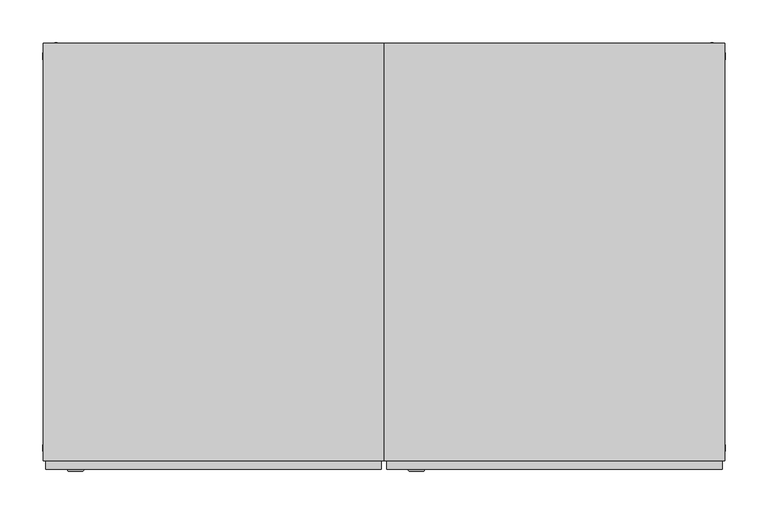
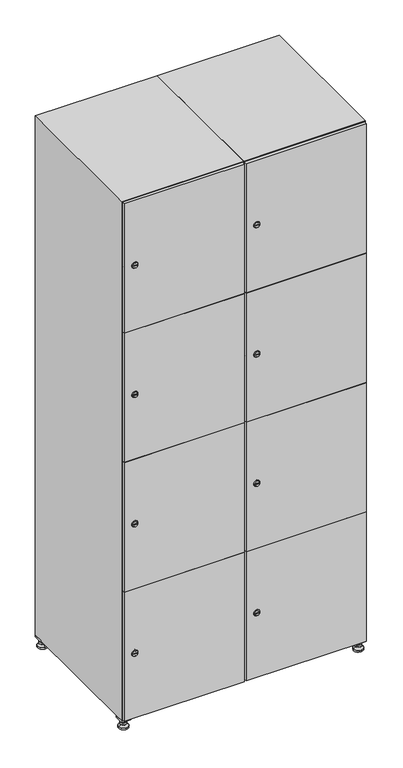
"""IFC4 building model written with IfcOpenShell, lengths in millimetres: furniture geometry."""

from ifc_helpers import new_model, si_unit, point, frame, frame_2d, origin, origin_with_axes, place, context, project, spatial, polyline, circle_curve, trimmed, segment, composite_curve, outline, extrude, faceted_brep, source, transform, mapped, element, save
from ifc_brep_helpers import plane_surface, revolved_surface, advanced_brep


def furniture_47012301(model_context):
    return source(origin(), model_context, "Body", "SolidModel", [
        extrude(outline(polyline([(600.0, 245.0), (600.0, 215.0), (570.0, 215.0), (570.0, 245.0), (600.0, 245.0)]), holes=[polyline([(598.0, 243.0), (572.0, 243.0), (572.0, 217.0), (598.0, 217.0), (598.0, 243.0)])]), frame((0.0, 0.0, 28.5), z_axis=(0.0, 0.0, 1.0), x_axis=(1.0, 0.0, 0.0)), (0.0, 0.0, 1.0), 6.5),
        extrude(outline(polyline([(570.0, -245.0), (570.0, -215.0), (600.0, -215.0), (600.0, -245.0), (570.0, -245.0)]), holes=[polyline([(572.0, -243.0), (598.0, -243.0), (598.0, -217.0), (572.0, -217.0), (572.0, -243.0)])]), frame((0.0, 0.0, 28.5), z_axis=(0.0, 0.0, 1.0), x_axis=(1.0, 0.0, 0.0)), (0.0, 0.0, 1.0), 6.5),
        extrude(outline(polyline([(-170.0, 245.0), (-170.0, 215.0), (-200.0, 215.0), (-200.0, 245.0), (-170.0, 245.0)]), holes=[polyline([(-172.0, 243.0), (-198.0, 243.0), (-198.0, 217.0), (-172.0, 217.0), (-172.0, 243.0)])]), frame((0.0, 0.0, 28.5), z_axis=(0.0, 0.0, 1.0), x_axis=(1.0, 0.0, 0.0)), (0.0, 0.0, 1.0), 6.5),
        extrude(outline(polyline([(-170.0, -215.0), (-170.0, -245.0), (-200.0, -245.0), (-200.0, -215.0), (-170.0, -215.0)]), holes=[polyline([(-198.0, -243.0), (-172.0, -243.0), (-172.0, -217.0), (-198.0, -217.0), (-198.0, -243.0)])]), frame((0.0, 0.0, 28.5), z_axis=(0.0, 0.0, 1.0), x_axis=(1.0, 0.0, 0.0)), (0.0, 0.0, 1.0), 6.5),
        extrude(outline(composite_curve([segment(trimmed(circle_curve(frame_2d((-185.0, 230.0)), 5.0), [point((-180.0, 230.0))], [point((-190.0, 230.0))], False, "CARTESIAN"), True, "CONTINUOUS"), segment(trimmed(circle_curve(frame_2d((-185.0, 230.0)), 5.0), [point((-190.0, 230.0))], [point((-180.0, 230.0))], False, "CARTESIAN"), True, "CONTINUOUS")], self_intersect=False)), frame((0.0, 0.0, 19.6), z_axis=(0.0, 0.0, 1.0), x_axis=(1.0, 0.0, 0.0)), (0.0, 0.0, 1.0), 15.4),
        extrude(outline(composite_curve([segment(trimmed(circle_curve(frame_2d((-185.0, -230.0)), 5.0), [point((-180.0, -230.0))], [point((-190.0, -230.0))], False, "CARTESIAN"), True, "CONTINUOUS"), segment(trimmed(circle_curve(frame_2d((-185.0, -230.0)), 5.0), [point((-190.0, -230.0))], [point((-180.0, -230.0))], False, "CARTESIAN"), True, "CONTINUOUS")], self_intersect=False)), frame((0.0, 0.0, 19.6), z_axis=(0.0, 0.0, 1.0), x_axis=(1.0, 0.0, 0.0)), (0.0, 0.0, 1.0), 15.4),
        extrude(outline(composite_curve([segment(trimmed(circle_curve(frame_2d((585.0, 230.0)), 5.0), [point((590.0, 230.0))], [point((580.0, 230.0))], False, "CARTESIAN"), True, "CONTINUOUS"), segment(trimmed(circle_curve(frame_2d((585.0, 230.0)), 5.0), [point((580.0, 230.0))], [point((590.0, 230.0))], False, "CARTESIAN"), True, "CONTINUOUS")], self_intersect=False)), frame((0.0, 0.0, 19.6), z_axis=(0.0, 0.0, 1.0), x_axis=(1.0, 0.0, 0.0)), (0.0, 0.0, 1.0), 15.4),
        extrude(outline(polyline([(573.4529946, 230.0), (579.2264973, 240.0), (590.7735027, 240.0), (596.5470054, 230.0), (590.7735027, 220.0), (579.2264973, 220.0), (573.4529946, 230.0)])), frame((0.0, 0.0, 13.6), z_axis=(0.0, 0.0, 1.0), x_axis=(1.0, 0.0, 0.0)), (0.0, 0.0, 1.0), 6.0),
        extrude(outline(composite_curve([segment(trimmed(circle_curve(frame_2d((585.0, -230.0)), 5.0), [point((590.0, -230.0))], [point((580.0, -230.0))], False, "CARTESIAN"), True, "CONTINUOUS"), segment(trimmed(circle_curve(frame_2d((585.0, -230.0)), 5.0), [point((580.0, -230.0))], [point((590.0, -230.0))], False, "CARTESIAN"), True, "CONTINUOUS")], self_intersect=False)), frame((0.0, 0.0, 19.6), z_axis=(0.0, 0.0, 1.0), x_axis=(1.0, 0.0, 0.0)), (0.0, 0.0, 1.0), 15.4),
        extrude(outline(polyline([(573.4529946, -230.0), (579.2264973, -220.0), (590.7735027, -220.0), (596.5470054, -230.0), (590.7735027, -240.0), (579.2264973, -240.0), (573.4529946, -230.0)])), frame((0.0, 0.0, 13.6), z_axis=(0.0, 0.0, 1.0), x_axis=(1.0, 0.0, 0.0)), (0.0, 0.0, 1.0), 6.0),
        extrude(outline(composite_curve([segment(trimmed(circle_curve(frame_2d((585.0, 230.0)), 5.0), [point((590.0, 230.0))], [point((580.0, 230.0))], False, "CARTESIAN"), True, "CONTINUOUS"), segment(trimmed(circle_curve(frame_2d((585.0, 230.0)), 5.0), [point((580.0, 230.0))], [point((590.0, 230.0))], False, "CARTESIAN"), True, "CONTINUOUS")], self_intersect=False)), frame((0.0, 0.0, 12.1), z_axis=(0.0, 0.0, 1.0), x_axis=(1.0, 0.0, 0.0)), (0.0, 0.0, 1.0), 1.5),
        extrude(outline(composite_curve([segment(trimmed(circle_curve(frame_2d((585.0, -230.0)), 5.0), [point((590.0, -230.0))], [point((580.0, -230.0))], False, "CARTESIAN"), True, "CONTINUOUS"), segment(trimmed(circle_curve(frame_2d((585.0, -230.0)), 5.0), [point((580.0, -230.0))], [point((590.0, -230.0))], False, "CARTESIAN"), True, "CONTINUOUS")], self_intersect=False)), frame((0.0, 0.0, 12.1), z_axis=(0.0, 0.0, 1.0), x_axis=(1.0, 0.0, 0.0)), (0.0, 0.0, 1.0), 1.5),
        extrude(outline(polyline([(-196.5470054, 230.0), (-190.7735027, 240.0), (-179.2264973, 240.0), (-173.4529946, 230.0), (-179.2264973, 220.0), (-190.7735027, 220.0), (-196.5470054, 230.0)])), frame((0.0, 0.0, 13.6), z_axis=(0.0, 0.0, 1.0), x_axis=(1.0, 0.0, 0.0)), (0.0, 0.0, 1.0), 6.0),
        extrude(outline(polyline([(-196.5470054, -230.0), (-190.7735027, -220.0), (-179.2264973, -220.0), (-173.4529946, -230.0), (-179.2264973, -240.0), (-190.7735027, -240.0), (-196.5470054, -230.0)])), frame((0.0, 0.0, 13.6), z_axis=(0.0, 0.0, 1.0), x_axis=(1.0, 0.0, 0.0)), (0.0, 0.0, 1.0), 6.0),
        extrude(outline(composite_curve([segment(trimmed(circle_curve(frame_2d((-185.0, 230.0)), 5.0), [point((-185.0, 235.0))], [point((-185.0, 225.0))], False, "CARTESIAN"), True, "CONTINUOUS"), segment(trimmed(circle_curve(frame_2d((-185.0, 230.0)), 5.0), [point((-185.0, 225.0))], [point((-185.0, 235.0))], False, "CARTESIAN"), True, "CONTINUOUS")], self_intersect=False)), frame((0.0, 0.0, 12.1), z_axis=(0.0, 0.0, 1.0), x_axis=(1.0, 0.0, 0.0)), (0.0, 0.0, 1.0), 1.5),
        extrude(outline(composite_curve([segment(trimmed(circle_curve(frame_2d((-185.0, -230.0)), 5.0), [point((-180.0, -230.0))], [point((-190.0, -230.0))], False, "CARTESIAN"), True, "CONTINUOUS"), segment(trimmed(circle_curve(frame_2d((-185.0, -230.0)), 5.0), [point((-190.0, -230.0))], [point((-180.0, -230.0))], False, "CARTESIAN"), True, "CONTINUOUS")], self_intersect=False)), frame((0.0, 0.0, 12.1), z_axis=(0.0, 0.0, 1.0), x_axis=(1.0, 0.0, 0.0)), (0.0, 0.0, 1.0), 1.5),
        extrude(outline(composite_curve([segment(trimmed(circle_curve(frame_2d((585.0, 230.0)), 15.75), [point((600.75, 230.0))], [point((569.25, 230.0))], False, "CARTESIAN"), True, "CONTINUOUS"), segment(trimmed(circle_curve(frame_2d((585.0, 230.0)), 15.75), [point((569.25, 230.0))], [point((600.75, 230.0))], False, "CARTESIAN"), True, "CONTINUOUS")], self_intersect=False)), origin_with_axes(), (0.0, 0.0, 1.0), 5.1),
        extrude(outline(composite_curve([segment(trimmed(circle_curve(frame_2d((585.0, -230.0)), 15.75), [point((585.0, -214.25))], [point((585.0, -245.75))], False, "CARTESIAN"), True, "CONTINUOUS"), segment(trimmed(circle_curve(frame_2d((585.0, -230.0)), 15.75), [point((585.0, -245.75))], [point((585.0, -214.25))], False, "CARTESIAN"), True, "CONTINUOUS")], self_intersect=False)), origin_with_axes(), (0.0, 0.0, 1.0), 5.1),
        extrude(outline(composite_curve([segment(trimmed(circle_curve(frame_2d((-185.0, -230.0)), 15.75), [point((-169.25, -230.0))], [point((-200.75, -230.0))], False, "CARTESIAN"), True, "CONTINUOUS"), segment(trimmed(circle_curve(frame_2d((-185.0, -230.0)), 15.75), [point((-200.75, -230.0))], [point((-169.25, -230.0))], False, "CARTESIAN"), True, "CONTINUOUS")], self_intersect=False)), origin_with_axes(), (0.0, 0.0, 1.0), 5.1),
        extrude(outline(composite_curve([segment(trimmed(circle_curve(frame_2d((-185.0, 230.0)), 15.75), [point((-169.25, 230.0))], [point((-200.75, 230.0))], False, "CARTESIAN"), True, "CONTINUOUS"), segment(trimmed(circle_curve(frame_2d((-185.0, 230.0)), 15.75), [point((-200.75, 230.0))], [point((-169.25, 230.0))], False, "CARTESIAN"), True, "CONTINUOUS")], self_intersect=False)), origin_with_axes(), (0.0, 0.0, 1.0), 5.1),
        advanced_brep(
        [(-185.0, 239.5, 12.1), (-185.0, 220.5, 12.1), (-185.0, 214.25, 5.1), (-185.0, 245.75, 5.1)],
        [
            (0, 1, circle_curve(frame((-185.0, 230.0, 12.1), z_axis=(0.0, 0.0, -1.0), x_axis=(0.0, 1.0, 0.0)), 9.5)),
            (1, 2),
            (2, 3, circle_curve(frame((-185.0, 230.0, 5.1), z_axis=(0.0, 0.0, 1.0), x_axis=(0.0, 1.0, 0.0)), 15.75)),
            (3, 0),
            (1, 0, circle_curve(frame((-185.0, 230.0, 12.1), z_axis=(0.0, 0.0, -1.0), x_axis=(0.0, -1.0, 0.0)), 9.5)),
            (3, 2, circle_curve(frame((-185.0, 230.0, 5.1), z_axis=(0.0, 0.0, 1.0), x_axis=(0.0, -1.0, 0.0)), 15.75)),
        ],
        [
            revolved_surface(polyline([(-185.0, 220.5, 12.099999999999998), (-185.0, 214.25, 5.099999999999998)]), (-185.0, 230.0, 22.74), (0.0, 0.0, -1.0)),
            revolved_surface(polyline([(-185.0, 239.5, 12.099999999999998), (-185.0, 245.75, 5.099999999999998)]), (-185.0, 230.0, 22.74), (0.0, 0.0, -1.0)),
            plane_surface(frame((-185.0, 230.0, 5.1), z_axis=(0.0, 0.0, -1.0), x_axis=(1.0, 0.0, 0.0))),
            plane_surface(frame((-185.0, 230.0, 12.1), z_axis=(0.0, 0.0, 1.0), x_axis=(1.0, 0.0, 0.0))),
        ],
        [
            (0, [[1, 2, 3, 4]]),
            (1, [[5, -4, 6, -2]]),
            (2, [[-3, -6]]),
            (3, [[-5, -1]]),
        ],
    ),
        advanced_brep(
        [(585.0, 239.5, 12.1), (585.0, 220.5, 12.1), (585.0, 214.25, 5.1), (585.0, 245.75, 5.1)],
        [
            (0, 1, circle_curve(frame((585.0, 230.0, 12.1), z_axis=(0.0, 0.0, -1.0), x_axis=(0.0, 1.0, 0.0)), 9.5)),
            (1, 2),
            (2, 3, circle_curve(frame((585.0, 230.0, 5.1), z_axis=(0.0, 0.0, 1.0), x_axis=(0.0, 1.0, 0.0)), 15.75)),
            (3, 0),
            (1, 0, circle_curve(frame((585.0, 230.0, 12.1), z_axis=(0.0, 0.0, -1.0), x_axis=(0.0, -1.0, 0.0)), 9.5)),
            (3, 2, circle_curve(frame((585.0, 230.0, 5.1), z_axis=(0.0, 0.0, 1.0), x_axis=(0.0, -1.0, 0.0)), 15.75)),
        ],
        [
            revolved_surface(polyline([(585.0, 220.5, 12.099999999999998), (585.0, 214.25, 5.099999999999998)]), (585.0, 230.0, 22.74), (0.0, 0.0, -1.0)),
            revolved_surface(polyline([(585.0, 239.5, 12.099999999999998), (585.0, 245.75, 5.099999999999998)]), (585.0, 230.0, 22.74), (0.0, 0.0, -1.0)),
            plane_surface(frame((585.0, 230.0, 5.1), z_axis=(0.0, 0.0, -1.0), x_axis=(1.0, 0.0, 0.0))),
            plane_surface(frame((585.0, 230.0, 12.1), z_axis=(0.0, 0.0, 1.0), x_axis=(1.0, 0.0, 0.0))),
        ],
        [
            (0, [[1, 2, 3, 4]]),
            (1, [[5, -4, 6, -2]]),
            (2, [[-3, -6]]),
            (3, [[-5, -1]]),
        ],
    ),
        advanced_brep(
        [(600.75, -230.0, 5.1), (569.25, -230.0, 5.1), (575.5, -230.0, 12.1), (594.5, -230.0, 12.1)],
        [
            (0, 1, circle_curve(frame((585.0, -230.0, 5.1), z_axis=(0.0, 0.0, 1.0), x_axis=(1.0, 0.0, 0.0)), 15.75)),
            (1, 2),
            (2, 3, circle_curve(frame((585.0, -230.0, 12.1), z_axis=(0.0, 0.0, -1.0), x_axis=(1.0, 0.0, 0.0)), 9.5)),
            (3, 0),
            (1, 0, circle_curve(frame((585.0, -230.0, 5.1), z_axis=(0.0, 0.0, 1.0), x_axis=(-1.0, 0.0, 0.0)), 15.75)),
            (3, 2, circle_curve(frame((585.0, -230.0, 12.1), z_axis=(0.0, 0.0, -1.0), x_axis=(-1.0, 0.0, 0.0)), 9.5)),
        ],
        [
            revolved_surface(polyline([(594.5, -230.0, 12.099999999999998), (600.75, -230.0, 5.099999999999998)]), (585.0, -230.0, 22.74), (0.0, 0.0, -1.0)),
            revolved_surface(polyline([(575.5, -230.0, 12.099999999999998), (569.25, -230.0, 5.099999999999998)]), (585.0, -230.0, 22.74), (0.0, 0.0, -1.0)),
            plane_surface(frame((585.0, -230.0, 12.1), z_axis=(0.0, 0.0, 1.0), x_axis=(0.0, 1.0, 0.0))),
            plane_surface(frame((585.0, -230.0, 5.1), z_axis=(0.0, 0.0, -1.0), x_axis=(0.0, 1.0, 0.0))),
        ],
        [
            (0, [[1, 2, 3, 4]]),
            (1, [[5, -4, 6, -2]]),
            (2, [[-3, -6]]),
            (3, [[-5, -1]]),
        ],
    ),
        advanced_brep(
        [(-169.25, -230.0, 5.1), (-200.75, -230.0, 5.1), (-194.5, -230.0, 12.1), (-175.5, -230.0, 12.1)],
        [
            (0, 1, circle_curve(frame((-185.0, -230.0, 5.1), z_axis=(0.0, 0.0, 1.0), x_axis=(1.0, 0.0, 0.0)), 15.75)),
            (1, 2),
            (2, 3, circle_curve(frame((-185.0, -230.0, 12.1), z_axis=(0.0, 0.0, -1.0), x_axis=(1.0, 0.0, 0.0)), 9.5)),
            (3, 0),
            (1, 0, circle_curve(frame((-185.0, -230.0, 5.1), z_axis=(0.0, 0.0, 1.0), x_axis=(-1.0, 0.0, 0.0)), 15.75)),
            (3, 2, circle_curve(frame((-185.0, -230.0, 12.1), z_axis=(0.0, 0.0, -1.0), x_axis=(-1.0, 0.0, 0.0)), 9.5)),
        ],
        [
            revolved_surface(polyline([(-175.5, -230.0, 12.099999999999998), (-169.25, -230.0, 5.099999999999998)]), (-185.0, -230.0, 22.74), (0.0, 0.0, -1.0)),
            revolved_surface(polyline([(-194.5, -230.0, 12.099999999999998), (-200.75, -230.0, 5.099999999999998)]), (-185.0, -230.0, 22.74), (0.0, 0.0, -1.0)),
            plane_surface(frame((-185.0, -230.0, 12.1), z_axis=(0.0, 0.0, 1.0), x_axis=(0.0, 1.0, 0.0))),
            plane_surface(frame((-185.0, -230.0, 5.1), z_axis=(0.0, 0.0, -1.0), x_axis=(0.0, 1.0, 0.0))),
        ],
        [
            (0, [[1, 2, 3, 4]]),
            (1, [[5, -4, 6, -2]]),
            (2, [[-3, -6]]),
            (3, [[-5, -1]]),
        ],
    ),
        extrude(outline(composite_curve([segment(trimmed(circle_curve(frame_2d((262.25, 211.2010534)), 7.0), [point((269.25, 211.2010534))], [point((255.25, 211.2010534))], False, "CARTESIAN"), True, "CONTINUOUS"), segment(polyline([(255.25, 211.2010534), (255.25, 239.2010534)]), True, "CONTINUOUS"), segment(trimmed(circle_curve(frame_2d((262.25, 239.2010534)), 7.0), [point((255.25, 239.2010534))], [point((269.25, 239.2010534))], False, "CARTESIAN"), True, "CONTINUOUS"), segment(polyline([(269.25, 239.2010534), (269.25, 211.2010534)]), True, "CONTINUOUS")], self_intersect=False)), frame((0.0, -245.0, 0.0), z_axis=(0.0, 1.0, 0.0), x_axis=(0.0, 0.0, 1.0)), (0.0, 0.0, 1.0), 2.0),
        advanced_brep(
        [(246.5, -257.2, 262.25), (229.5, -257.2, 262.25), (233.0, -257.2, 261.0), (233.0, -257.2, 263.5), (243.0, -257.2, 263.5), (243.0, -257.2, 261.0), (248.5, -255.0, 262.25), (227.5, -255.0, 262.25), (233.0, -255.0, 263.5), (233.0, -255.0, 261.0), (243.0, -255.0, 261.0), (243.0, -255.0, 263.5)],
        [
            (0, 1, circle_curve(frame((238.0, -257.2, 262.25), z_axis=(0.0, -1.0, 0.0), x_axis=(1.0, 0.0, 0.0)), 8.5)),
            (1, 0, circle_curve(frame((238.0, -257.2, 262.25), z_axis=(0.0, -1.0, 0.0), x_axis=(-1.0, 0.0, 0.0)), 8.5)),
            (2, 3),
            (3, 4),
            (4, 5),
            (5, 2),
            (6, 7, circle_curve(frame((238.0, -255.0, 262.25), z_axis=(0.0, 1.0, 0.0), x_axis=(-1.0, 0.0, 0.0)), 10.5)),
            (7, 6, circle_curve(frame((238.0, -255.0, 262.25), z_axis=(0.0, 1.0, 0.0), x_axis=(1.0, 0.0, 0.0)), 10.5)),
            (8, 9),
            (9, 10),
            (10, 11),
            (11, 8),
            (0, 6),
            (7, 1),
            (8, 3),
            (2, 9),
            (11, 4),
            (10, 5),
        ],
        [
            plane_surface(frame((238.0, -257.2, 262.25), z_axis=(0.0, -1.0, 0.0), x_axis=(0.0, 0.0, 1.0))),
            plane_surface(frame((238.0, -255.0, 262.25), z_axis=(0.0, 1.0, 0.0), x_axis=(0.0, 0.0, 1.0))),
            revolved_surface(polyline([(246.5, -257.2, 262.25), (248.5, -255.0, 262.25)]), (238.0, -266.55, 262.25), (0.0, 1.0, 0.0)),
            revolved_surface(polyline([(229.5, -257.2, 262.25), (227.5, -255.0, 262.25)]), (238.0, -266.55, 262.25), (0.0, 1.0, 0.0)),
            plane_surface(frame((233.0, -255.0, 261.0), z_axis=(1.0, 0.0, 0.0), x_axis=(0.0, -1.0, 0.0))),
            plane_surface(frame((233.0, -255.0, 263.5), z_axis=(0.0, 0.0, -1.0), x_axis=(0.0, -1.0, 0.0))),
            plane_surface(frame((243.0, -255.0, 263.5), z_axis=(-1.0, 0.0, 0.0), x_axis=(0.0, -1.0, 0.0))),
            plane_surface(frame((243.0, -255.0, 261.0), z_axis=(0.0, 0.0, 1.0), x_axis=(0.0, -1.0, 0.0))),
        ],
        [
            (0, [[1, 2], [3, 4, 5, 6]]),
            (1, [[7, 8], [9, 10, 11, 12]]),
            (2, [[-1, 13, -8, 14]]),
            (3, [[-2, -14, -7, -13]]),
            (4, [[15, -3, 16, -9]]),
            (5, [[-15, -12, 17, -4]]),
            (6, [[-17, -11, 18, -5]]),
            (7, [[-16, -6, -18, -10]]),
        ],
    ),
        extrude(outline(composite_curve([segment(trimmed(circle_curve(frame_2d((710.75, 211.2010534)), 7.0), [point((717.75, 211.2010534))], [point((703.75, 211.2010534))], False, "CARTESIAN"), True, "CONTINUOUS"), segment(polyline([(703.75, 211.2010534), (703.75, 239.2010534)]), True, "CONTINUOUS"), segment(trimmed(circle_curve(frame_2d((710.75, 239.2010534)), 7.0), [point((703.75, 239.2010534))], [point((717.75, 239.2010534))], False, "CARTESIAN"), True, "CONTINUOUS"), segment(polyline([(717.75, 239.2010534), (717.75, 211.2010534)]), True, "CONTINUOUS")], self_intersect=False)), frame((0.0, -245.0, 0.0), z_axis=(0.0, 1.0, 0.0), x_axis=(0.0, 0.0, 1.0)), (0.0, 0.0, 1.0), 2.0),
        advanced_brep(
        [(246.5, -257.2, 710.75), (229.5, -257.2, 710.75), (233.0, -257.2, 709.5), (233.0, -257.2, 712.0), (243.0, -257.2, 712.0), (243.0, -257.2, 709.5), (248.5, -255.0, 710.75), (227.5, -255.0, 710.75), (233.0, -255.0, 712.0), (233.0, -255.0, 709.5), (243.0, -255.0, 709.5), (243.0, -255.0, 712.0)],
        [
            (0, 1, circle_curve(frame((238.0, -257.2, 710.75), z_axis=(0.0, -1.0, 0.0), x_axis=(1.0, 0.0, 0.0)), 8.5)),
            (1, 0, circle_curve(frame((238.0, -257.2, 710.75), z_axis=(0.0, -1.0, 0.0), x_axis=(-1.0, 0.0, 0.0)), 8.5)),
            (2, 3),
            (3, 4),
            (4, 5),
            (5, 2),
            (6, 7, circle_curve(frame((238.0, -255.0, 710.75), z_axis=(0.0, 1.0, 0.0), x_axis=(-1.0, 0.0, 0.0)), 10.5)),
            (7, 6, circle_curve(frame((238.0, -255.0, 710.75), z_axis=(0.0, 1.0, 0.0), x_axis=(1.0, 0.0, 0.0)), 10.5)),
            (8, 9),
            (9, 10),
            (10, 11),
            (11, 8),
            (0, 6),
            (7, 1),
            (8, 3),
            (2, 9),
            (11, 4),
            (10, 5),
        ],
        [
            plane_surface(frame((238.0, -257.2, 710.75), z_axis=(0.0, -1.0, 0.0), x_axis=(0.0, 0.0, 1.0))),
            plane_surface(frame((238.0, -255.0, 710.75), z_axis=(0.0, 1.0, 0.0), x_axis=(0.0, 0.0, 1.0))),
            revolved_surface(polyline([(246.5, -257.2, 710.75), (248.5, -255.0, 710.75)]), (238.0, -266.55, 710.75), (0.0, 1.0, 0.0)),
            revolved_surface(polyline([(229.5, -257.2, 710.75), (227.5, -255.0, 710.75)]), (238.0, -266.55, 710.75), (0.0, 1.0, 0.0)),
            plane_surface(frame((233.0, -255.0, 709.5), z_axis=(1.0, 0.0, 0.0), x_axis=(0.0, -1.0, 0.0))),
            plane_surface(frame((233.0, -255.0, 712.0), z_axis=(0.0, 0.0, -1.0), x_axis=(0.0, -1.0, 0.0))),
            plane_surface(frame((243.0, -255.0, 712.0), z_axis=(-1.0, 0.0, 0.0), x_axis=(0.0, -1.0, 0.0))),
            plane_surface(frame((243.0, -255.0, 709.5), z_axis=(0.0, 0.0, 1.0), x_axis=(0.0, -1.0, 0.0))),
        ],
        [
            (0, [[1, 2], [3, 4, 5, 6]]),
            (1, [[7, 8], [9, 10, 11, 12]]),
            (2, [[-1, 13, -8, 14]]),
            (3, [[-2, -14, -7, -13]]),
            (4, [[15, -3, 16, -9]]),
            (5, [[-15, -12, 17, -4]]),
            (6, [[-17, -11, 18, -5]]),
            (7, [[-16, -6, -18, -10]]),
        ],
    ),
        extrude(outline(composite_curve([segment(trimmed(circle_curve(frame_2d((1159.25, 211.2010534)), 7.0), [point((1166.25, 211.2010534))], [point((1152.25, 211.2010534))], False, "CARTESIAN"), True, "CONTINUOUS"), segment(polyline([(1152.25, 211.2010534), (1152.25, 239.2010534)]), True, "CONTINUOUS"), segment(trimmed(circle_curve(frame_2d((1159.25, 239.2010534)), 7.0), [point((1152.25, 239.2010534))], [point((1166.25, 239.2010534))], False, "CARTESIAN"), True, "CONTINUOUS"), segment(polyline([(1166.25, 239.2010534), (1166.25, 211.2010534)]), True, "CONTINUOUS")], self_intersect=False)), frame((0.0, -245.0, 0.0), z_axis=(0.0, 1.0, 0.0), x_axis=(0.0, 0.0, 1.0)), (0.0, 0.0, 1.0), 2.0),
        advanced_brep(
        [(246.5, -257.2, 1159.25), (229.5, -257.2, 1159.25), (233.0, -257.2, 1158.0), (233.0, -257.2, 1160.5), (243.0, -257.2, 1160.5), (243.0, -257.2, 1158.0), (248.5, -255.0, 1159.25), (227.5, -255.0, 1159.25), (233.0, -255.0, 1160.5), (233.0, -255.0, 1158.0), (243.0, -255.0, 1158.0), (243.0, -255.0, 1160.5)],
        [
            (0, 1, circle_curve(frame((238.0, -257.2, 1159.25), z_axis=(0.0, -1.0, 0.0), x_axis=(1.0, 0.0, 0.0)), 8.5)),
            (1, 0, circle_curve(frame((238.0, -257.2, 1159.25), z_axis=(0.0, -1.0, 0.0), x_axis=(-1.0, 0.0, 0.0)), 8.5)),
            (2, 3),
            (3, 4),
            (4, 5),
            (5, 2),
            (6, 7, circle_curve(frame((238.0, -255.0, 1159.25), z_axis=(0.0, 1.0, 0.0), x_axis=(-1.0, 0.0, 0.0)), 10.5)),
            (7, 6, circle_curve(frame((238.0, -255.0, 1159.25), z_axis=(0.0, 1.0, 0.0), x_axis=(1.0, 0.0, 0.0)), 10.5)),
            (8, 9),
            (9, 10),
            (10, 11),
            (11, 8),
            (0, 6),
            (7, 1),
            (8, 3),
            (2, 9),
            (11, 4),
            (10, 5),
        ],
        [
            plane_surface(frame((238.0, -257.2, 1159.25), z_axis=(0.0, -1.0, 0.0), x_axis=(0.0, 0.0, 1.0))),
            plane_surface(frame((238.0, -255.0, 1159.25), z_axis=(0.0, 1.0, 0.0), x_axis=(0.0, 0.0, 1.0))),
            revolved_surface(polyline([(246.5, -257.2, 1159.25), (248.5, -255.0, 1159.25)]), (238.0, -266.55, 1159.25), (0.0, 1.0, 0.0)),
            revolved_surface(polyline([(229.5, -257.2, 1159.25), (227.5, -255.0, 1159.25)]), (238.0, -266.55, 1159.25), (0.0, 1.0, 0.0)),
            plane_surface(frame((233.0, -255.0, 1158.0), z_axis=(1.0, 0.0, 0.0), x_axis=(0.0, -1.0, 0.0))),
            plane_surface(frame((233.0, -255.0, 1160.5), z_axis=(0.0, 0.0, -1.0), x_axis=(0.0, -1.0, 0.0))),
            plane_surface(frame((243.0, -255.0, 1160.5), z_axis=(-1.0, 0.0, 0.0), x_axis=(0.0, -1.0, 0.0))),
            plane_surface(frame((243.0, -255.0, 1158.0), z_axis=(0.0, 0.0, 1.0), x_axis=(0.0, -1.0, 0.0))),
        ],
        [
            (0, [[1, 2], [3, 4, 5, 6]]),
            (1, [[7, 8], [9, 10, 11, 12]]),
            (2, [[-1, 13, -8, 14]]),
            (3, [[-2, -14, -7, -13]]),
            (4, [[15, -3, 16, -9]]),
            (5, [[-15, -12, 17, -4]]),
            (6, [[-17, -11, 18, -5]]),
            (7, [[-16, -6, -18, -10]]),
        ],
    ),
        extrude(outline(composite_curve([segment(trimmed(circle_curve(frame_2d((1607.75, 211.2010534)), 7.0), [point((1614.75, 211.2010534))], [point((1600.75, 211.2010534))], False, "CARTESIAN"), True, "CONTINUOUS"), segment(polyline([(1600.75, 211.2010534), (1600.75, 239.2010534)]), True, "CONTINUOUS"), segment(trimmed(circle_curve(frame_2d((1607.75, 239.2010534)), 7.0), [point((1600.75, 239.2010534))], [point((1614.75, 239.2010534))], False, "CARTESIAN"), True, "CONTINUOUS"), segment(polyline([(1614.75, 239.2010534), (1614.75, 211.2010534)]), True, "CONTINUOUS")], self_intersect=False)), frame((0.0, -245.0, 0.0), z_axis=(0.0, 1.0, 0.0), x_axis=(0.0, 0.0, 1.0)), (0.0, 0.0, 1.0), 2.0),
        advanced_brep(
        [(246.5, -257.2, 1607.75), (229.5, -257.2, 1607.75), (233.0, -257.2, 1606.5), (233.0, -257.2, 1609.0), (243.0, -257.2, 1609.0), (243.0, -257.2, 1606.5), (248.5, -255.0, 1607.75), (227.5, -255.0, 1607.75), (233.0, -255.0, 1609.0), (233.0, -255.0, 1606.5), (243.0, -255.0, 1606.5), (243.0, -255.0, 1609.0)],
        [
            (0, 1, circle_curve(frame((238.0, -257.2, 1607.75), z_axis=(0.0, -1.0, 0.0), x_axis=(1.0, 0.0, 0.0)), 8.5)),
            (1, 0, circle_curve(frame((238.0, -257.2, 1607.75), z_axis=(0.0, -1.0, 0.0), x_axis=(-1.0, 0.0, 0.0)), 8.5)),
            (2, 3),
            (3, 4),
            (4, 5),
            (5, 2),
            (6, 7, circle_curve(frame((238.0, -255.0, 1607.75), z_axis=(0.0, 1.0, 0.0), x_axis=(-1.0, 0.0, 0.0)), 10.5)),
            (7, 6, circle_curve(frame((238.0, -255.0, 1607.75), z_axis=(0.0, 1.0, 0.0), x_axis=(1.0, 0.0, 0.0)), 10.5)),
            (8, 9),
            (9, 10),
            (10, 11),
            (11, 8),
            (0, 6),
            (7, 1),
            (8, 3),
            (2, 9),
            (11, 4),
            (10, 5),
        ],
        [
            plane_surface(frame((238.0, -257.2, 1607.75), z_axis=(0.0, -1.0, 0.0), x_axis=(0.0, 0.0, 1.0))),
            plane_surface(frame((238.0, -255.0, 1607.75), z_axis=(0.0, 1.0, 0.0), x_axis=(0.0, 0.0, 1.0))),
            revolved_surface(polyline([(246.5, -257.2, 1607.75), (248.5, -255.0, 1607.75)]), (238.0, -266.55, 1607.75), (0.0, 1.0, 0.0)),
            revolved_surface(polyline([(229.5, -257.2, 1607.75), (227.5, -255.0, 1607.75)]), (238.0, -266.55, 1607.75), (0.0, 1.0, 0.0)),
            plane_surface(frame((233.0, -255.0, 1606.5), z_axis=(1.0, 0.0, 0.0), x_axis=(0.0, -1.0, 0.0))),
            plane_surface(frame((233.0, -255.0, 1609.0), z_axis=(0.0, 0.0, -1.0), x_axis=(0.0, -1.0, 0.0))),
            plane_surface(frame((243.0, -255.0, 1609.0), z_axis=(-1.0, 0.0, 0.0), x_axis=(0.0, -1.0, 0.0))),
            plane_surface(frame((243.0, -255.0, 1606.5), z_axis=(0.0, 0.0, 1.0), x_axis=(0.0, -1.0, 0.0))),
        ],
        [
            (0, [[1, 2], [3, 4, 5, 6]]),
            (1, [[7, 8], [9, 10, 11, 12]]),
            (2, [[-1, 13, -8, 14]]),
            (3, [[-2, -14, -7, -13]]),
            (4, [[15, -3, 16, -9]]),
            (5, [[-15, -12, 17, -4]]),
            (6, [[-17, -11, 18, -5]]),
            (7, [[-16, -6, -18, -10]]),
        ],
    ),
        extrude(outline(polyline([(597.0, -245.0), (597.0, -255.0), (203.0, -255.0), (203.0, -245.0), (597.0, -245.0)])), frame((0.0, 0.0, 486.0), z_axis=(0.0, 0.0, 1.0), x_axis=(1.0, 0.0, 0.0)), (0.0, 0.0, 1.0), 448.5),
        extrude(outline(polyline([(597.0, -245.0), (597.0, -255.0), (203.0, -255.0), (203.0, -245.0), (597.0, -245.0)])), frame((0.0, 0.0, 935.5), z_axis=(0.0, 0.0, 1.0), x_axis=(1.0, 0.0, 0.0)), (0.0, 0.0, 1.0), 447.5),
        extrude(outline(polyline([(203.0, -255.0), (203.0, -245.0), (597.0, -245.0), (597.0, -255.0), (203.0, -255.0)])), frame((0.0, 0.0, 1384.0), z_axis=(0.0, 0.0, 1.0), x_axis=(1.0, 0.0, 0.0)), (0.0, 0.0, 1.0), 448.0),
        extrude(outline(polyline([(597.0, -245.0), (597.0, -255.0), (203.0, -255.0), (203.0, -245.0), (597.0, -245.0)])), frame((0.0, 0.0, 38.0), z_axis=(0.0, 0.0, 1.0), x_axis=(1.0, 0.0, 0.0)), (0.0, 0.0, 1.0), 449.0),
        extrude(outline(polyline([(579.6, 242.0), (579.6, -235.0), (220.4, -235.0), (220.4, 242.0), (579.6, 242.0)])), frame((0.0, 0.0, 1359.7), z_axis=(0.0, 0.0, 1.0), x_axis=(1.0, 0.0, 0.0)), (0.0, 0.0, 1.0), 20.4),
        extrude(outline(polyline([(579.6, 242.0), (579.6, -235.0), (220.4, -235.0), (220.4, 242.0), (579.6, 242.0)])), frame((0.0, 0.0, 924.8), z_axis=(0.0, 0.0, 1.0), x_axis=(1.0, 0.0, 0.0)), (0.0, 0.0, 1.0), 20.4),
        extrude(outline(polyline([(579.6, 242.0), (579.6, -235.0), (220.4, -235.0), (220.4, 242.0), (579.6, 242.0)])), frame((0.0, 0.0, 489.9), z_axis=(0.0, 0.0, 1.0), x_axis=(1.0, 0.0, 0.0)), (0.0, 0.0, 1.0), 20.4),
        faceted_brep([(600.0, -245.0, 35.0), (600.0, -245.0, 1835.0), (200.0, -245.0, 1835.0), (200.0, -245.0, 35.0), (579.6, -245.0, 1804.8), (579.6, -245.0, 65.2), (220.4, -245.0, 65.2), (220.4, -245.0, 1804.8), (600.0, 245.0, 35.0), (200.0, 245.0, 35.0), (600.0, 245.0, 1835.0), (200.0, 245.0, 1835.0), (579.6, 242.0, 1804.8), (579.6, 242.0, 65.2), (200.0, 245.0, 1804.8), (220.4, 242.0, 1804.8), (220.4, 242.0, 65.2)], [[[0, 1, 2, 3], [4, 5, 6, 7]], [[8, 0, 3, 9]], [[1, 0, 8, 10]], [[1, 10, 11, 2]], [[4, 12, 13, 5]], [[9, 3, 2, 11, 14]], [[10, 8, 9, 14, 11]], [[12, 15, 16, 13]], [[15, 7, 6, 16]], [[4, 7, 15, 12]], [[6, 5, 13, 16]]]),
        extrude(outline(composite_curve([segment(trimmed(circle_curve(frame_2d((262.25, -188.7989466)), 7.0), [point((269.25, -188.7989466))], [point((255.25, -188.7989466))], False, "CARTESIAN"), True, "CONTINUOUS"), segment(polyline([(255.25, -188.7989466), (255.25, -160.7989466)]), True, "CONTINUOUS"), segment(trimmed(circle_curve(frame_2d((262.25, -160.7989466)), 7.0), [point((255.25, -160.7989466))], [point((269.25, -160.7989466))], False, "CARTESIAN"), True, "CONTINUOUS"), segment(polyline([(269.25, -160.7989466), (269.25, -188.7989466)]), True, "CONTINUOUS")], self_intersect=False)), frame((0.0, -245.0, 0.0), z_axis=(0.0, 1.0, 0.0), x_axis=(0.0, 0.0, 1.0)), (0.0, 0.0, 1.0), 2.0),
        advanced_brep(
        [(-153.5, -257.2, 262.25), (-170.5, -257.2, 262.25), (-167.0, -257.2, 261.0), (-167.0, -257.2, 263.5), (-157.0, -257.2, 263.5), (-157.0, -257.2, 261.0), (-151.5, -255.0, 262.25), (-172.5, -255.0, 262.25), (-167.0, -255.0, 263.5), (-167.0, -255.0, 261.0), (-157.0, -255.0, 261.0), (-157.0, -255.0, 263.5)],
        [
            (0, 1, circle_curve(frame((-162.0, -257.2, 262.25), z_axis=(0.0, -1.0, 0.0), x_axis=(1.0, 0.0, 0.0)), 8.5)),
            (1, 0, circle_curve(frame((-162.0, -257.2, 262.25), z_axis=(0.0, -1.0, 0.0), x_axis=(-1.0, 0.0, 0.0)), 8.5)),
            (2, 3),
            (3, 4),
            (4, 5),
            (5, 2),
            (6, 7, circle_curve(frame((-162.0, -255.0, 262.25), z_axis=(0.0, 1.0, 0.0), x_axis=(-1.0, 0.0, 0.0)), 10.5)),
            (7, 6, circle_curve(frame((-162.0, -255.0, 262.25), z_axis=(0.0, 1.0, 0.0), x_axis=(1.0, 0.0, 0.0)), 10.5)),
            (8, 9),
            (9, 10),
            (10, 11),
            (11, 8),
            (0, 6),
            (7, 1),
            (8, 3),
            (2, 9),
            (11, 4),
            (10, 5),
        ],
        [
            plane_surface(frame((-162.0, -257.2, 262.25), z_axis=(0.0, -1.0, 0.0), x_axis=(0.0, 0.0, 1.0))),
            plane_surface(frame((-162.0, -255.0, 262.25), z_axis=(0.0, 1.0, 0.0), x_axis=(0.0, 0.0, 1.0))),
            revolved_surface(polyline([(-153.5, -257.2, 262.25), (-151.5, -255.0, 262.25)]), (-162.0, -266.55, 262.25), (0.0, 1.0, 0.0)),
            revolved_surface(polyline([(-170.5, -257.2, 262.25), (-172.5, -255.0, 262.25)]), (-162.0, -266.55, 262.25), (0.0, 1.0, 0.0)),
            plane_surface(frame((-167.0, -255.0, 261.0), z_axis=(1.0, 0.0, 0.0), x_axis=(0.0, -1.0, 0.0))),
            plane_surface(frame((-167.0, -255.0, 263.5), z_axis=(0.0, 0.0, -1.0), x_axis=(0.0, -1.0, 0.0))),
            plane_surface(frame((-157.0, -255.0, 263.5), z_axis=(-1.0, 0.0, 0.0), x_axis=(0.0, -1.0, 0.0))),
            plane_surface(frame((-157.0, -255.0, 261.0), z_axis=(0.0, 0.0, 1.0), x_axis=(0.0, -1.0, 0.0))),
        ],
        [
            (0, [[1, 2], [3, 4, 5, 6]]),
            (1, [[7, 8], [9, 10, 11, 12]]),
            (2, [[-1, 13, -8, 14]]),
            (3, [[-2, -14, -7, -13]]),
            (4, [[15, -3, 16, -9]]),
            (5, [[-15, -12, 17, -4]]),
            (6, [[-17, -11, 18, -5]]),
            (7, [[-16, -6, -18, -10]]),
        ],
    ),
        extrude(outline(composite_curve([segment(trimmed(circle_curve(frame_2d((710.75, -188.7989466)), 7.0), [point((717.75, -188.7989466))], [point((703.75, -188.7989466))], False, "CARTESIAN"), True, "CONTINUOUS"), segment(polyline([(703.75, -188.7989466), (703.75, -160.7989466)]), True, "CONTINUOUS"), segment(trimmed(circle_curve(frame_2d((710.75, -160.7989466)), 7.0), [point((703.75, -160.7989466))], [point((717.75, -160.7989466))], False, "CARTESIAN"), True, "CONTINUOUS"), segment(polyline([(717.75, -160.7989466), (717.75, -188.7989466)]), True, "CONTINUOUS")], self_intersect=False)), frame((0.0, -245.0, 0.0), z_axis=(0.0, 1.0, 0.0), x_axis=(0.0, 0.0, 1.0)), (0.0, 0.0, 1.0), 2.0),
        advanced_brep(
        [(-153.5, -257.2, 710.75), (-170.5, -257.2, 710.75), (-167.0, -257.2, 709.5), (-167.0, -257.2, 712.0), (-157.0, -257.2, 712.0), (-157.0, -257.2, 709.5), (-151.5, -255.0, 710.75), (-172.5, -255.0, 710.75), (-167.0, -255.0, 712.0), (-167.0, -255.0, 709.5), (-157.0, -255.0, 709.5), (-157.0, -255.0, 712.0)],
        [
            (0, 1, circle_curve(frame((-162.0, -257.2, 710.75), z_axis=(0.0, -1.0, 0.0), x_axis=(1.0, 0.0, 0.0)), 8.5)),
            (1, 0, circle_curve(frame((-162.0, -257.2, 710.75), z_axis=(0.0, -1.0, 0.0), x_axis=(-1.0, 0.0, 0.0)), 8.5)),
            (2, 3),
            (3, 4),
            (4, 5),
            (5, 2),
            (6, 7, circle_curve(frame((-162.0, -255.0, 710.75), z_axis=(0.0, 1.0, 0.0), x_axis=(-1.0, 0.0, 0.0)), 10.5)),
            (7, 6, circle_curve(frame((-162.0, -255.0, 710.75), z_axis=(0.0, 1.0, 0.0), x_axis=(1.0, 0.0, 0.0)), 10.5)),
            (8, 9),
            (9, 10),
            (10, 11),
            (11, 8),
            (0, 6),
            (7, 1),
            (8, 3),
            (2, 9),
            (11, 4),
            (10, 5),
        ],
        [
            plane_surface(frame((-162.0, -257.2, 710.75), z_axis=(0.0, -1.0, 0.0), x_axis=(0.0, 0.0, 1.0))),
            plane_surface(frame((-162.0, -255.0, 710.75), z_axis=(0.0, 1.0, 0.0), x_axis=(0.0, 0.0, 1.0))),
            revolved_surface(polyline([(-153.5, -257.2, 710.75), (-151.5, -255.0, 710.75)]), (-162.0, -266.55, 710.75), (0.0, 1.0, 0.0)),
            revolved_surface(polyline([(-170.5, -257.2, 710.75), (-172.5, -255.0, 710.75)]), (-162.0, -266.55, 710.75), (0.0, 1.0, 0.0)),
            plane_surface(frame((-167.0, -255.0, 709.5), z_axis=(1.0, 0.0, 0.0), x_axis=(0.0, -1.0, 0.0))),
            plane_surface(frame((-167.0, -255.0, 712.0), z_axis=(0.0, 0.0, -1.0), x_axis=(0.0, -1.0, 0.0))),
            plane_surface(frame((-157.0, -255.0, 712.0), z_axis=(-1.0, 0.0, 0.0), x_axis=(0.0, -1.0, 0.0))),
            plane_surface(frame((-157.0, -255.0, 709.5), z_axis=(0.0, 0.0, 1.0), x_axis=(0.0, -1.0, 0.0))),
        ],
        [
            (0, [[1, 2], [3, 4, 5, 6]]),
            (1, [[7, 8], [9, 10, 11, 12]]),
            (2, [[-1, 13, -8, 14]]),
            (3, [[-2, -14, -7, -13]]),
            (4, [[15, -3, 16, -9]]),
            (5, [[-15, -12, 17, -4]]),
            (6, [[-17, -11, 18, -5]]),
            (7, [[-16, -6, -18, -10]]),
        ],
    ),
        extrude(outline(composite_curve([segment(trimmed(circle_curve(frame_2d((1159.25, -188.7989466)), 7.0), [point((1166.25, -188.7989466))], [point((1152.25, -188.7989466))], False, "CARTESIAN"), True, "CONTINUOUS"), segment(polyline([(1152.25, -188.7989466), (1152.25, -160.7989466)]), True, "CONTINUOUS"), segment(trimmed(circle_curve(frame_2d((1159.25, -160.7989466)), 7.0), [point((1152.25, -160.7989466))], [point((1166.25, -160.7989466))], False, "CARTESIAN"), True, "CONTINUOUS"), segment(polyline([(1166.25, -160.7989466), (1166.25, -188.7989466)]), True, "CONTINUOUS")], self_intersect=False)), frame((0.0, -245.0, 0.0), z_axis=(0.0, 1.0, 0.0), x_axis=(0.0, 0.0, 1.0)), (0.0, 0.0, 1.0), 2.0),
        advanced_brep(
        [(-153.5, -257.2, 1159.25), (-170.5, -257.2, 1159.25), (-167.0, -257.2, 1158.0), (-167.0, -257.2, 1160.5), (-157.0, -257.2, 1160.5), (-157.0, -257.2, 1158.0), (-151.5, -255.0, 1159.25), (-172.5, -255.0, 1159.25), (-167.0, -255.0, 1160.5), (-167.0, -255.0, 1158.0), (-157.0, -255.0, 1158.0), (-157.0, -255.0, 1160.5)],
        [
            (0, 1, circle_curve(frame((-162.0, -257.2, 1159.25), z_axis=(0.0, -1.0, 0.0), x_axis=(1.0, 0.0, 0.0)), 8.5)),
            (1, 0, circle_curve(frame((-162.0, -257.2, 1159.25), z_axis=(0.0, -1.0, 0.0), x_axis=(-1.0, 0.0, 0.0)), 8.5)),
            (2, 3),
            (3, 4),
            (4, 5),
            (5, 2),
            (6, 7, circle_curve(frame((-162.0, -255.0, 1159.25), z_axis=(0.0, 1.0, 0.0), x_axis=(-1.0, 0.0, 0.0)), 10.5)),
            (7, 6, circle_curve(frame((-162.0, -255.0, 1159.25), z_axis=(0.0, 1.0, 0.0), x_axis=(1.0, 0.0, 0.0)), 10.5)),
            (8, 9),
            (9, 10),
            (10, 11),
            (11, 8),
            (0, 6),
            (7, 1),
            (8, 3),
            (2, 9),
            (11, 4),
            (10, 5),
        ],
        [
            plane_surface(frame((-162.0, -257.2, 1159.25), z_axis=(0.0, -1.0, 0.0), x_axis=(0.0, 0.0, 1.0))),
            plane_surface(frame((-162.0, -255.0, 1159.25), z_axis=(0.0, 1.0, 0.0), x_axis=(0.0, 0.0, 1.0))),
            revolved_surface(polyline([(-153.5, -257.2, 1159.25), (-151.5, -255.0, 1159.25)]), (-162.0, -266.55, 1159.25), (0.0, 1.0, 0.0)),
            revolved_surface(polyline([(-170.5, -257.2, 1159.25), (-172.5, -255.0, 1159.25)]), (-162.0, -266.55, 1159.25), (0.0, 1.0, 0.0)),
            plane_surface(frame((-167.0, -255.0, 1158.0), z_axis=(1.0, 0.0, 0.0), x_axis=(0.0, -1.0, 0.0))),
            plane_surface(frame((-167.0, -255.0, 1160.5), z_axis=(0.0, 0.0, -1.0), x_axis=(0.0, -1.0, 0.0))),
            plane_surface(frame((-157.0, -255.0, 1160.5), z_axis=(-1.0, 0.0, 0.0), x_axis=(0.0, -1.0, 0.0))),
            plane_surface(frame((-157.0, -255.0, 1158.0), z_axis=(0.0, 0.0, 1.0), x_axis=(0.0, -1.0, 0.0))),
        ],
        [
            (0, [[1, 2], [3, 4, 5, 6]]),
            (1, [[7, 8], [9, 10, 11, 12]]),
            (2, [[-1, 13, -8, 14]]),
            (3, [[-2, -14, -7, -13]]),
            (4, [[15, -3, 16, -9]]),
            (5, [[-15, -12, 17, -4]]),
            (6, [[-17, -11, 18, -5]]),
            (7, [[-16, -6, -18, -10]]),
        ],
    ),
        extrude(outline(composite_curve([segment(trimmed(circle_curve(frame_2d((1607.75, -188.7989466)), 7.0), [point((1614.75, -188.7989466))], [point((1600.75, -188.7989466))], False, "CARTESIAN"), True, "CONTINUOUS"), segment(polyline([(1600.75, -188.7989466), (1600.75, -160.7989466)]), True, "CONTINUOUS"), segment(trimmed(circle_curve(frame_2d((1607.75, -160.7989466)), 7.0), [point((1600.75, -160.7989466))], [point((1614.75, -160.7989466))], False, "CARTESIAN"), True, "CONTINUOUS"), segment(polyline([(1614.75, -160.7989466), (1614.75, -188.7989466)]), True, "CONTINUOUS")], self_intersect=False)), frame((0.0, -245.0, 0.0), z_axis=(0.0, 1.0, 0.0), x_axis=(0.0, 0.0, 1.0)), (0.0, 0.0, 1.0), 2.0),
        advanced_brep(
        [(-153.5, -257.2, 1607.75), (-170.5, -257.2, 1607.75), (-167.0, -257.2, 1606.5), (-167.0, -257.2, 1609.0), (-157.0, -257.2, 1609.0), (-157.0, -257.2, 1606.5), (-151.5, -255.0, 1607.75), (-172.5, -255.0, 1607.75), (-167.0, -255.0, 1609.0), (-167.0, -255.0, 1606.5), (-157.0, -255.0, 1606.5), (-157.0, -255.0, 1609.0)],
        [
            (0, 1, circle_curve(frame((-162.0, -257.2, 1607.75), z_axis=(0.0, -1.0, 0.0), x_axis=(1.0, 0.0, 0.0)), 8.5)),
            (1, 0, circle_curve(frame((-162.0, -257.2, 1607.75), z_axis=(0.0, -1.0, 0.0), x_axis=(-1.0, 0.0, 0.0)), 8.5)),
            (2, 3),
            (3, 4),
            (4, 5),
            (5, 2),
            (6, 7, circle_curve(frame((-162.0, -255.0, 1607.75), z_axis=(0.0, 1.0, 0.0), x_axis=(-1.0, 0.0, 0.0)), 10.5)),
            (7, 6, circle_curve(frame((-162.0, -255.0, 1607.75), z_axis=(0.0, 1.0, 0.0), x_axis=(1.0, 0.0, 0.0)), 10.5)),
            (8, 9),
            (9, 10),
            (10, 11),
            (11, 8),
            (0, 6),
            (7, 1),
            (8, 3),
            (2, 9),
            (11, 4),
            (10, 5),
        ],
        [
            plane_surface(frame((-162.0, -257.2, 1607.75), z_axis=(0.0, -1.0, 0.0), x_axis=(0.0, 0.0, 1.0))),
            plane_surface(frame((-162.0, -255.0, 1607.75), z_axis=(0.0, 1.0, 0.0), x_axis=(0.0, 0.0, 1.0))),
            revolved_surface(polyline([(-153.5, -257.2, 1607.75), (-151.5, -255.0, 1607.75)]), (-162.0, -266.55, 1607.75), (0.0, 1.0, 0.0)),
            revolved_surface(polyline([(-170.5, -257.2, 1607.75), (-172.5, -255.0, 1607.75)]), (-162.0, -266.55, 1607.75), (0.0, 1.0, 0.0)),
            plane_surface(frame((-167.0, -255.0, 1606.5), z_axis=(1.0, 0.0, 0.0), x_axis=(0.0, -1.0, 0.0))),
            plane_surface(frame((-167.0, -255.0, 1609.0), z_axis=(0.0, 0.0, -1.0), x_axis=(0.0, -1.0, 0.0))),
            plane_surface(frame((-157.0, -255.0, 1609.0), z_axis=(-1.0, 0.0, 0.0), x_axis=(0.0, -1.0, 0.0))),
            plane_surface(frame((-157.0, -255.0, 1606.5), z_axis=(0.0, 0.0, 1.0), x_axis=(0.0, -1.0, 0.0))),
        ],
        [
            (0, [[1, 2], [3, 4, 5, 6]]),
            (1, [[7, 8], [9, 10, 11, 12]]),
            (2, [[-1, 13, -8, 14]]),
            (3, [[-2, -14, -7, -13]]),
            (4, [[15, -3, 16, -9]]),
            (5, [[-15, -12, 17, -4]]),
            (6, [[-17, -11, 18, -5]]),
            (7, [[-16, -6, -18, -10]]),
        ],
    ),
        extrude(outline(polyline([(197.0, -245.0), (197.0, -255.0), (-197.0, -255.0), (-197.0, -245.0), (197.0, -245.0)])), frame((0.0, 0.0, 486.0), z_axis=(0.0, 0.0, 1.0), x_axis=(1.0, 0.0, 0.0)), (0.0, 0.0, 1.0), 448.5),
        extrude(outline(polyline([(197.0, -245.0), (197.0, -255.0), (-197.0, -255.0), (-197.0, -245.0), (197.0, -245.0)])), frame((0.0, 0.0, 935.5), z_axis=(0.0, 0.0, 1.0), x_axis=(1.0, 0.0, 0.0)), (0.0, 0.0, 1.0), 447.5),
        extrude(outline(polyline([(-197.0, -255.0), (-197.0, -245.0), (197.0, -245.0), (197.0, -255.0), (-197.0, -255.0)])), frame((0.0, 0.0, 1384.0), z_axis=(0.0, 0.0, 1.0), x_axis=(1.0, 0.0, 0.0)), (0.0, 0.0, 1.0), 448.0),
        extrude(outline(polyline([(197.0, -245.0), (197.0, -255.0), (-197.0, -255.0), (-197.0, -245.0), (197.0, -245.0)])), frame((0.0, 0.0, 38.0), z_axis=(0.0, 0.0, 1.0), x_axis=(1.0, 0.0, 0.0)), (0.0, 0.0, 1.0), 449.0),
        extrude(outline(polyline([(179.6, 242.0), (179.6, -235.0), (-179.6, -235.0), (-179.6, 242.0), (179.6, 242.0)])), frame((0.0, 0.0, 1359.7), z_axis=(0.0, 0.0, 1.0), x_axis=(1.0, 0.0, 0.0)), (0.0, 0.0, 1.0), 20.4),
        extrude(outline(polyline([(179.6, 242.0), (179.6, -235.0), (-179.6, -235.0), (-179.6, 242.0), (179.6, 242.0)])), frame((0.0, 0.0, 924.8), z_axis=(0.0, 0.0, 1.0), x_axis=(1.0, 0.0, 0.0)), (0.0, 0.0, 1.0), 20.4),
        extrude(outline(polyline([(179.6, 242.0), (179.6, -235.0), (-179.6, -235.0), (-179.6, 242.0), (179.6, 242.0)])), frame((0.0, 0.0, 489.9), z_axis=(0.0, 0.0, 1.0), x_axis=(1.0, 0.0, 0.0)), (0.0, 0.0, 1.0), 20.4),
        faceted_brep([(200.0, -245.0, 35.0), (200.0, -245.0, 1835.0), (-200.0, -245.0, 1835.0), (-200.0, -245.0, 35.0), (179.6, -245.0, 1804.8), (179.6, -245.0, 65.2), (-179.6, -245.0, 65.2), (-179.6, -245.0, 1804.8), (200.0, 245.0, 35.0), (-200.0, 245.0, 35.0), (200.0, 245.0, 1835.0), (-200.0, 245.0, 1835.0), (179.6, 242.0, 1804.8), (179.6, 242.0, 65.2), (-200.0, 245.0, 1804.8), (-179.6, 242.0, 1804.8), (-179.6, 242.0, 65.2)], [[[0, 1, 2, 3], [4, 5, 6, 7]], [[8, 0, 3, 9]], [[1, 0, 8, 10]], [[1, 10, 11, 2]], [[4, 12, 13, 5]], [[9, 3, 2, 11, 14]], [[10, 8, 9, 14, 11]], [[12, 15, 16, 13]], [[15, 7, 6, 16]], [[4, 7, 15, 12]], [[6, 5, 13, 16]]]),
    ])


if __name__ == "__main__":
    model = new_model("IFC4")
    model_context = context("Model", 3, world=origin())
    ifc_project = project(units=[si_unit("LENGTHUNIT", "METRE", prefix="MILLI")], contexts=[model_context])
    site = spatial("IfcSite", under=ifc_project)
    building = spatial("IfcBuilding", under=site)
    placement = place(None, origin())
    furniture_shape = furniture_47012301(model_context)
    element("IfcFurniture", 1, at=placement, inside=building, context=model_context, shape_type="MappedRepresentation", body=[
        mapped(furniture_shape, transform((0.0, 0.0, 0.0), x_axis=(1.0, 0.0, 0.0), y_axis=(0.0, 1.0, 0.0), z_axis=(0.0, 0.0, 1.0))),
    ])
    save(model, "model.ifc")
